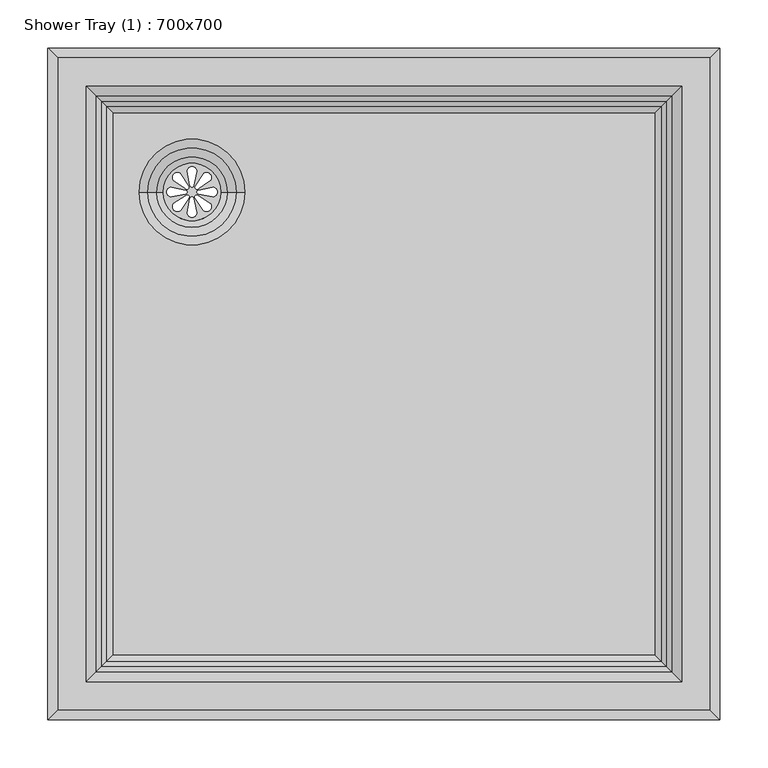
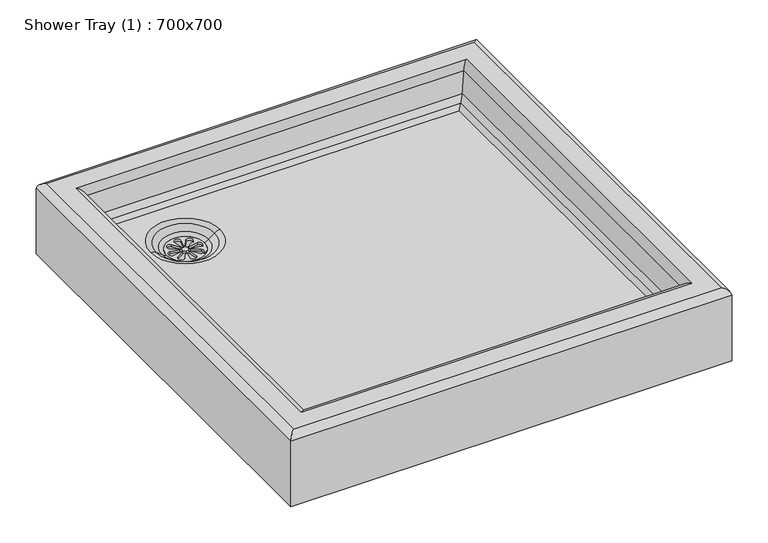
"""IFC4 building model written with IfcOpenShell, lengths in millimetres: flow terminal geometry, Shower Tray (1) : 700x700."""

from ifc_helpers import new_model, si_unit, point, frame, frame_2d, origin, place, context, project, spatial, polyline, circle_curve, ellipse_curve, trimmed, segment, composite_curve, outline, extrude, source, transform, mapped, element, save
from ifc_brep_helpers import plane_surface, cylinder_surface, revolved_surface, advanced_brep


def shower_tray_1_700x700_83cf1ecc(model_context):
    return source(origin(), model_context, "Body", "SolidModel", [
        extrude(outline(composite_curve([segment(trimmed(circle_curve(frame_2d((-200.0, 200.0)), 30.0), [point((-230.0, 200.0))], [point((-170.0, 200.0))], False, "CARTESIAN"), True, "CONTINUOUS"), segment(trimmed(circle_curve(frame_2d((-200.0, 200.0)), 30.0), [point((-170.0, 200.0))], [point((-230.0, 200.0))], False, "CARTESIAN"), True, "CONTINUOUS")], self_intersect=False), holes=[composite_curve([segment(polyline([(-198.0437984, 207.2242832), (-195.0173347, 221.5301417)]), True, "CONTINUOUS"), segment(trimmed(circle_curve(frame_2d((-200.0, 221.5301417)), 4.9826653), [point((-195.0173347, 221.5301417))], [point((-204.9826653, 221.5301417))], True, "CARTESIAN"), True, "CONTINUOUS"), segment(polyline([(-204.9826653, 221.5301417), (-202.1435586, 207.2242832)]), True, "CONTINUOUS"), segment(trimmed(circle_curve(frame_2d((-200.0936785, 207.2242832)), 2.0498801), [point((-202.1435586, 207.2242832))], [point((-198.0437984, 207.2242832))], True, "CARTESIAN"), True, "CONTINUOUS")], self_intersect=False), composite_curve([segment(trimmed(circle_curve(frame_2d((-200.0936785, 192.7757168)), 2.0498801), [point((-198.0437984, 192.7757168))], [point((-202.1435586, 192.7757168))], True, "CARTESIAN"), True, "CONTINUOUS"), segment(polyline([(-202.1435586, 192.7757168), (-204.9826653, 178.4698583)]), True, "CONTINUOUS"), segment(trimmed(circle_curve(frame_2d((-200.0, 178.4698583)), 4.9826653), [point((-204.9826653, 178.4698583))], [point((-195.0173347, 178.4698583))], True, "CARTESIAN"), True, "CONTINUOUS"), segment(polyline([(-195.0173347, 178.4698583), (-198.0437984, 192.7757168)]), True, "CONTINUOUS")], self_intersect=False), composite_curve([segment(polyline([(-207.2242832, 201.9562016), (-221.5301417, 204.9826653)]), True, "CONTINUOUS"), segment(trimmed(circle_curve(frame_2d((-221.5301417, 200.0)), 4.9826653), [point((-221.5301417, 204.9826653))], [point((-221.5301417, 195.0173347))], True, "CARTESIAN"), True, "CONTINUOUS"), segment(polyline([(-221.5301417, 195.0173347), (-207.2242832, 197.8564414)]), True, "CONTINUOUS"), segment(trimmed(circle_curve(frame_2d((-207.2242832, 199.9063215)), 2.0498801), [point((-207.2242832, 197.8564414))], [point((-207.2242832, 201.9562016))], True, "CARTESIAN"), True, "CONTINUOUS")], self_intersect=False), composite_curve([segment(trimmed(circle_curve(frame_2d((-192.7757168, 199.9063215)), 2.0498801), [point((-192.7757168, 201.9562016))], [point((-192.7757168, 197.8564414))], True, "CARTESIAN"), True, "CONTINUOUS"), segment(polyline([(-192.7757168, 197.8564414), (-178.4698583, 195.0173347)]), True, "CONTINUOUS"), segment(trimmed(circle_curve(frame_2d((-178.4698583, 200.0)), 4.9826653), [point((-178.4698583, 195.0173347))], [point((-178.4698583, 204.9826653))], True, "CARTESIAN"), True, "CONTINUOUS"), segment(polyline([(-178.4698583, 204.9826653), (-192.7757168, 201.9562016)]), True, "CONTINUOUS")], self_intersect=False), composite_curve([segment(polyline([(-203.7250963, 206.4915831), (-211.7008327, 218.7473856)]), True, "CONTINUOUS"), segment(trimmed(circle_curve(frame_2d((-215.2241092, 215.2241092)), 4.9826653), [point((-211.7008327, 218.7473856))], [point((-218.7473856, 211.7008327))], True, "CARTESIAN"), True, "CONTINUOUS"), segment(polyline([(-218.7473856, 211.7008327), (-206.6240645, 203.5926149)]), True, "CONTINUOUS"), segment(trimmed(circle_curve(frame_2d((-205.1745804, 205.042099)), 2.0498801), [point((-206.6240645, 203.5926149))], [point((-203.7250963, 206.4915831))], True, "CARTESIAN"), True, "CONTINUOUS")], self_intersect=False), composite_curve([segment(trimmed(circle_curve(frame_2d((-194.957901, 194.8254196)), 2.0498801), [point((-193.5084169, 196.2749037))], [point((-196.4073851, 193.3759355))], True, "CARTESIAN"), True, "CONTINUOUS"), segment(polyline([(-196.4073851, 193.3759355), (-188.2991673, 181.2526144)]), True, "CONTINUOUS"), segment(trimmed(circle_curve(frame_2d((-184.7758908, 184.7758908)), 4.9826653), [point((-188.2991673, 181.2526144))], [point((-181.2526144, 188.2991673))], True, "CARTESIAN"), True, "CONTINUOUS"), segment(polyline([(-181.2526144, 188.2991673), (-193.5084169, 196.2749037)]), True, "CONTINUOUS")], self_intersect=False), composite_curve([segment(polyline([(-206.4915831, 196.2749037), (-218.7473856, 188.2991673)]), True, "CONTINUOUS"), segment(trimmed(circle_curve(frame_2d((-215.2241092, 184.7758908)), 4.9826653), [point((-218.7473856, 188.2991673))], [point((-211.7008327, 181.2526144))], True, "CARTESIAN"), True, "CONTINUOUS"), segment(polyline([(-211.7008327, 181.2526144), (-203.5926149, 193.3759355)]), True, "CONTINUOUS"), segment(trimmed(circle_curve(frame_2d((-205.042099, 194.8254196)), 2.0498801), [point((-203.5926149, 193.3759355))], [point((-206.4915831, 196.2749037))], True, "CARTESIAN"), True, "CONTINUOUS")], self_intersect=False), composite_curve([segment(trimmed(circle_curve(frame_2d((-194.8254196, 205.042099)), 2.0498801), [point((-196.2749037, 206.4915831))], [point((-193.3759355, 203.5926149))], True, "CARTESIAN"), True, "CONTINUOUS"), segment(polyline([(-193.3759355, 203.5926149), (-181.2526144, 211.7008327)]), True, "CONTINUOUS"), segment(trimmed(circle_curve(frame_2d((-184.7758908, 215.2241092)), 4.9826653), [point((-181.2526144, 211.7008327))], [point((-188.2991673, 218.7473856))], True, "CARTESIAN"), True, "CONTINUOUS"), segment(polyline([(-188.2991673, 218.7473856), (-196.2749037, 206.4915831)]), True, "CONTINUOUS")], self_intersect=False)]), frame((0.0, 0.0, 43.429774), z_axis=(0.0, 0.0, 1.0), x_axis=(1.0, 0.0, 0.0)), (0.0, 0.0, 1.0), 3.0),
        advanced_brep(
        [(350.0, 350.0, 0.0), (350.0, 350.0, 110.0), (350.0, -350.0, 110.0), (350.0, -350.0, 0.0), (288.5950747, 288.5950747, 66.1486916), (282.446383, 282.446383, 60.0), (282.446383, -282.446383, 60.0), (288.5950747, -288.5950747, 66.1486916), (294.1490941, -294.1490941, 76.8178637), (294.1490941, 294.1490941, 76.8178637), (300.0, -300.0, 110.0), (300.0, 300.0, 110.0), (310.0, -310.0, 120.0), (310.0, 310.0, 120.0), (340.0, 340.0, 120.0), (340.0, -340.0, 120.0), (-350.0, -350.0, 110.0), (-350.0, -350.0, 0.0), (-282.446383, -282.446383, 60.0), (-288.5950747, -288.5950747, 66.1486916), (-294.1490941, -294.1490941, 76.8178637), (-300.0, -300.0, 110.0), (-310.0, -310.0, 120.0), (-340.0, -340.0, 120.0), (-350.0, 350.0, 110.0), (-350.0, 350.0, 0.0), (-282.446383, 282.446383, 60.0), (-288.5950747, 288.5950747, 66.1486916), (-294.1490941, 294.1490941, 76.8178637), (-300.0, 300.0, 110.0), (-310.0, 310.0, 120.0), (-340.0, 340.0, 120.0), (-230.0, 200.0, 0.0), (-170.0, 200.0, 0.0), (-255.0, 200.0, 60.0), (-145.0, 200.0, 60.0), (-170.0, 200.0, 46.429774), (-230.0, 200.0, 46.429774), (-163.3333333, 200.0, 50.0), (-236.6666667, 200.0, 50.0), (-154.0, 200.0, 57.0), (-246.0, 200.0, 57.0)],
        [
            (0, 1),
            (1, 2),
            (2, 3),
            (3, 0),
            (4, 5),
            (5, 6),
            (6, 7),
            (7, 4),
            (7, 8, ellipse_curve(frame((274.452939, -274.452939, 80.2908273), z_axis=(-0.7071067811865475, -0.7071067811865475, 0.0), x_axis=(0.7071067811865474, -0.7071067811865476, 0.0)), 28.2842712, 20.0)),
            (8, 9),
            (9, 4, ellipse_curve(frame((274.452939, 274.452939, 80.2908273), z_axis=(-0.7071067811865475, 0.7071067811865475, 0.0), x_axis=(-0.7071067811865474, -0.7071067811865476, 0.0)), 28.2842712, 20.0)),
            (8, 10),
            (10, 11),
            (11, 9),
            (10, 12, ellipse_curve(frame((310.0, -310.0, 110.0), z_axis=(0.7071067811865475, 0.7071067811865475, 0.0), x_axis=(-0.7071067811865474, 0.7071067811865476, 0.0)), 14.1421356, 10.0)),
            (12, 13),
            (13, 11, ellipse_curve(frame((310.0, 310.0, 110.0), z_axis=(0.7071067811865475, -0.7071067811865475, 0.0), x_axis=(0.7071067811865474, 0.7071067811865476, 0.0)), 14.1421356, 10.0)),
            (1, 14, ellipse_curve(frame((340.0, 340.0, 110.0), z_axis=(0.7071067811865475, -0.7071067811865475, 0.0), x_axis=(0.7071067811865474, 0.7071067811865476, 0.0)), 14.1421356, 10.0)),
            (14, 15),
            (15, 2, ellipse_curve(frame((340.0, -340.0, 110.0), z_axis=(0.7071067811865475, 0.7071067811865475, 0.0), x_axis=(-0.7071067811865474, 0.7071067811865476, 0.0)), 14.1421356, 10.0)),
            (2, 16),
            (16, 17),
            (17, 3),
            (6, 18),
            (18, 19),
            (19, 7),
            (19, 20, ellipse_curve(frame((-274.452939, -274.452939, 80.2908273), z_axis=(-0.7071067811865475, 0.7071067811865475, 0.0), x_axis=(-0.7071067811865476, -0.7071067811865474, 0.0)), 28.2842712, 20.0)),
            (20, 8),
            (20, 21),
            (21, 10),
            (21, 22, ellipse_curve(frame((-310.0, -310.0, 110.0), z_axis=(0.7071067811865475, -0.7071067811865475, 0.0), x_axis=(0.7071067811865476, 0.7071067811865474, 0.0)), 14.1421356, 10.0)),
            (22, 12),
            (15, 23),
            (23, 16, ellipse_curve(frame((-340.0, -340.0, 110.0), z_axis=(0.7071067811865475, -0.7071067811865475, 0.0), x_axis=(0.7071067811865476, 0.7071067811865474, 0.0)), 14.1421356, 10.0)),
            (16, 24),
            (24, 25),
            (25, 17),
            (18, 26),
            (26, 27),
            (27, 19),
            (27, 28, ellipse_curve(frame((-274.452939, 274.452939, 80.2908273), z_axis=(0.7071067811865475, 0.7071067811865475, 0.0), x_axis=(-0.7071067811865474, 0.7071067811865476, 0.0)), 28.2842712, 20.0)),
            (28, 20),
            (28, 29),
            (29, 21),
            (29, 30, ellipse_curve(frame((-310.0, 310.0, 110.0), z_axis=(-0.7071067811865475, -0.7071067811865475, 0.0), x_axis=(0.7071067811865474, -0.7071067811865476, 0.0)), 14.1421356, 10.0)),
            (30, 22),
            (23, 31),
            (31, 24, ellipse_curve(frame((-340.0, 340.0, 110.0), z_axis=(-0.7071067811865475, -0.7071067811865475, 0.0), x_axis=(0.7071067811865474, -0.7071067811865476, 0.0)), 14.1421356, 10.0)),
            (0, 25),
            (24, 1),
            (32, 33, circle_curve(frame((-200.0, 200.0, 0.0), z_axis=(0.0, 0.0, 1.0), x_axis=(1.0, 0.0, 0.0)), 30.0)),
            (33, 32, circle_curve(frame((-200.0, 200.0, 0.0), z_axis=(0.0, 0.0, 1.0), x_axis=(1.0, 0.0, 0.0)), 30.0)),
            (4, 27),
            (26, 5),
            (9, 28),
            (11, 29),
            (13, 30),
            (14, 31),
            (34, 35, circle_curve(frame((-200.0, 200.0, 60.0), z_axis=(0.0, 0.0, -1.0), x_axis=(1.0, 0.0, 0.0)), 55.0)),
            (35, 34, circle_curve(frame((-200.0, 200.0, 60.0), z_axis=(0.0, 0.0, -1.0), x_axis=(1.0, 0.0, 0.0)), 55.0)),
            (33, 36),
            (36, 37, circle_curve(frame((-200.0, 200.0, 46.429774), z_axis=(0.0, 0.0, 1.0), x_axis=(1.0, 0.0, 0.0)), 30.0)),
            (37, 32),
            (37, 36, circle_curve(frame((-200.0, 200.0, 46.429774), z_axis=(0.0, 0.0, 1.0), x_axis=(1.0, 0.0, 0.0)), 30.0)),
            (38, 39, circle_curve(frame((-200.0, 200.0, 50.0), z_axis=(0.0, 0.0, 1.0), x_axis=(1.0, 0.0, 0.0)), 36.6666667)),
            (39, 37, circle_curve(frame((-221.6666667, 200.0, 70.0), z_axis=(0.0, -1.0, 0.0), x_axis=(-1.0, 0.0, 0.0)), 25.0)),
            (36, 38, circle_curve(frame((-178.3333333, 200.0, 70.0), z_axis=(0.0, -1.0, 0.0), x_axis=(1.0, 0.0, 0.0)), 25.0)),
            (39, 38, circle_curve(frame((-200.0, 200.0, 50.0), z_axis=(0.0, 0.0, 1.0), x_axis=(1.0, 0.0, 0.0)), 36.6666667)),
            (38, 40),
            (40, 41, circle_curve(frame((-200.0, 200.0, 57.0), z_axis=(0.0, 0.0, 1.0), x_axis=(1.0, 0.0, 0.0)), 46.0)),
            (41, 39),
            (41, 40, circle_curve(frame((-200.0, 200.0, 57.0), z_axis=(0.0, 0.0, 1.0), x_axis=(1.0, 0.0, 0.0)), 46.0)),
            (40, 35, circle_curve(frame((-145.0, 200.0, 45.0), z_axis=(0.0, 1.0, 0.0), x_axis=(1.0, 0.0, 0.0)), 15.0)),
            (34, 41, circle_curve(frame((-255.0, 200.0, 45.0), z_axis=(0.0, 1.0, 0.0), x_axis=(-1.0, 0.0, 0.0)), 15.0)),
        ],
        [
            plane_surface(frame((350.0, 350.0, 110.0), z_axis=(1.0, 0.0, 0.0), x_axis=(0.0, -1.0, 0.0))),
            plane_surface(frame((282.446383, 282.446383, 60.0), z_axis=(-0.7071067811865533, 0.0, 0.7071067811865417), x_axis=(0.0, -1.0, 0.0))),
            revolved_surface(polyline([(294.452939, -294.45293896643943, 80.2908273), (294.452939, 294.4529389664394, 80.2908273)]), (274.452939, 350.0, 80.2908273), (0.0, -1.0, 0.0)),
            plane_surface(frame((294.1490941, 294.1490941, 76.8178637), z_axis=(-0.9848077530122086, 0.0, 0.17364817766692786), x_axis=(0.0, -1.0, 0.0))),
            cylinder_surface(frame((310.0, 350.0, 110.0), z_axis=(0.0, 1.0, 0.0), x_axis=(1.0, 0.0, 0.0)), 10.0),
            cylinder_surface(frame((340.0, 350.0, 110.0), z_axis=(0.0, 1.0, 0.0), x_axis=(1.0, 0.0, 0.0)), 10.0),
            plane_surface(frame((350.0, -350.0, 110.0), z_axis=(0.0, -1.0, 0.0), x_axis=(-1.0, 0.0, 0.0))),
            plane_surface(frame((282.446383, -282.446383, 60.0), z_axis=(0.0, 0.7071067811865533, 0.7071067811865417), x_axis=(-1.0, 0.0, 0.0))),
            revolved_surface(polyline([(-294.45293896643943, -294.452939, 80.2908273), (294.4529389664394, -294.452939, 80.2908273)]), (350.0, -274.452939, 80.2908273), (-1.0, 0.0, 0.0)),
            plane_surface(frame((294.1490941, -294.1490941, 76.8178637), z_axis=(0.0, 0.9848077530122086, 0.17364817766692786), x_axis=(-1.0, 0.0, 0.0))),
            cylinder_surface(frame((350.0, -310.0, 110.0), z_axis=(1.0, 0.0, 0.0), x_axis=(0.0, -1.0, 0.0)), 10.0),
            cylinder_surface(frame((350.0, -340.0, 110.0), z_axis=(1.0, 0.0, 0.0), x_axis=(0.0, -1.0, 0.0)), 10.0),
            plane_surface(frame((-350.0, -350.0, 110.0), z_axis=(-1.0, 0.0, 0.0), x_axis=(0.0, 1.0, 0.0))),
            plane_surface(frame((-282.446383, -282.446383, 60.0), z_axis=(0.7071067811865533, 0.0, 0.7071067811865417), x_axis=(0.0, 1.0, 0.0))),
            revolved_surface(polyline([(-294.452939, 294.45293896643943, 80.2908273), (-294.452939, -294.4529389664394, 80.2908273)]), (-274.452939, -350.0, 80.2908273), (0.0, 1.0, 0.0)),
            plane_surface(frame((-294.1490941, -294.1490941, 76.8178637), z_axis=(0.9848077530122086, 0.0, 0.17364817766692786), x_axis=(0.0, 1.0, 0.0))),
            cylinder_surface(frame((-310.0, -350.0, 110.0), z_axis=(0.0, -1.0, 0.0), x_axis=(-1.0, 0.0, 0.0)), 10.0),
            cylinder_surface(frame((-340.0, -350.0, 110.0), z_axis=(0.0, -1.0, 0.0), x_axis=(-1.0, 0.0, 0.0)), 10.0),
            plane_surface(frame((-350.0, 350.0, 110.0), z_axis=(0.0, 1.0, 0.0), x_axis=(1.0, 0.0, 0.0))),
            plane_surface(frame((-350.0, 350.0, 0.0), z_axis=(0.0, 0.0, -1.0), x_axis=(1.0, 0.0, 0.0))),
            plane_surface(frame((-282.446383, 282.446383, 60.0), z_axis=(0.0, -0.7071067811865533, 0.7071067811865417), x_axis=(1.0, 0.0, 0.0))),
            revolved_surface(polyline([(294.45293896643943, 294.452939, 80.2908273), (-294.4529389664394, 294.452939, 80.2908273)]), (-350.0, 274.452939, 80.2908273), (1.0, 0.0, 0.0)),
            plane_surface(frame((-294.1490941, 294.1490941, 76.8178637), z_axis=(0.0, -0.9848077530122086, 0.17364817766692786), x_axis=(1.0, 0.0, 0.0))),
            cylinder_surface(frame((-350.0, 310.0, 110.0), z_axis=(-1.0, 0.0, 0.0), x_axis=(0.0, 1.0, 0.0)), 10.0),
            plane_surface(frame((-310.0, 310.0, 120.0), z_axis=(0.0, 0.0, 1.0), x_axis=(1.0, 0.0, 0.0))),
            cylinder_surface(frame((-350.0, 340.0, 110.0), z_axis=(-1.0, 0.0, 0.0), x_axis=(0.0, 1.0, 0.0)), 10.0),
            plane_surface(frame((-170.0, 200.0, 60.0), z_axis=(0.0, 0.0, 1.0), x_axis=(0.0, -1.0, 0.0))),
            revolved_surface(polyline([(-170.0, 200.0, 0.0), (-170.0, 200.0, 46.429774)]), (-200.0, 200.0, 0.0), (0.0, 0.0, -1.0)),
            revolved_surface(trimmed(ellipse_curve(frame((-178.3333333, 200.0, 70.0), z_axis=(0.0, 1.0, 0.0), x_axis=(1.0, 0.0, 0.0)), 25.0, 25.0), [point((-163.3333333, 200.0, 50.0))], [point((-178.3333333, 200.0, 45.0))], True, "CARTESIAN"), (-200.0, 200.0, -508.0), (0.0, 0.0, 1.0)),
            revolved_surface(polyline([(-154.0, 200.0, 57.0), (-163.3333333, 200.0, 50.0)]), (-200.0, 200.0, -508.0), (0.0, 0.0, 1.0)),
            revolved_surface(trimmed(ellipse_curve(frame((-145.0, 200.0, 45.0), z_axis=(0.0, -1.0, 0.0), x_axis=(1.0, 0.0, 0.0)), 15.0, 15.0), [point((-145.0, 200.0, 60.0))], [point((-154.0, 200.0, 57.0))], True, "CARTESIAN"), (-200.0, 200.0, -508.0), (0.0, 0.0, 1.0)),
        ],
        [
            (0, [[1, 2, 3, 4]]),
            (1, [[5, 6, 7, 8]]),
            (2, [[-8, 9, 10, 11]]),
            (3, [[-10, 12, 13, 14]]),
            (4, [[-13, 15, 16, 17]]),
            (5, [[-2, 18, 19, 20]]),
            (6, [[-3, 21, 22, 23]]),
            (7, [[-7, 24, 25, 26]]),
            (8, [[-9, -26, 27, 28]]),
            (9, [[-12, -28, 29, 30]]),
            (10, [[-15, -30, 31, 32]]),
            (11, [[-20, 33, 34, -21]]),
            (12, [[-22, 35, 36, 37]]),
            (13, [[-25, 38, 39, 40]]),
            (14, [[-27, -40, 41, 42]]),
            (15, [[-29, -42, 43, 44]]),
            (16, [[-31, -44, 45, 46]]),
            (17, [[-34, 47, 48, -35]]),
            (18, [[-1, 49, -36, 50]]),
            (19, [[-4, -23, -37, -49], [51, 52]]),
            (20, [[-5, 53, -39, 54]]),
            (21, [[-11, 55, -41, -53]]),
            (22, [[-14, 56, -43, -55]]),
            (23, [[-17, 57, -45, -56]]),
            (24, [[-19, 58, -47, -33], [-16, -32, -46, -57]]),
            (25, [[-18, -50, -48, -58]]),
            (26, [[-6, -54, -38, -24], [59, 60]]),
            (27, [[-52, 61, 62, 63]]),
            (27, [[-51, -63, 64, -61]]),
            (28, [[65, 66, -62, 67]]),
            (28, [[68, -67, -64, -66]]),
            (29, [[-65, 69, 70, 71]]),
            (29, [[-68, -71, 72, -69]]),
            (30, [[-70, 73, -59, 74]]),
            (30, [[-72, -74, -60, -73]]),
        ],
    ),
    ])


if __name__ == "__main__":
    model = new_model("IFC4")
    model_context = context("Model", 3, world=origin())
    ifc_project = project(units=[si_unit("LENGTHUNIT", "METRE", prefix="MILLI")], contexts=[model_context])
    site = spatial("IfcSite", under=ifc_project)
    building = spatial("IfcBuilding", under=site)
    placement = place(None, origin())
    shower_tray_1_700x700_shape = shower_tray_1_700x700_83cf1ecc(model_context)
    element("IfcFlowTerminal", 1, ObjectType="Shower Tray (1) : 700x700", at=placement, inside=building, context=model_context, shape_type="MappedRepresentation", body=[
        mapped(shower_tray_1_700x700_shape, transform((0.0, 0.0, 0.0), x_axis=(1.0, 0.0, 0.0), y_axis=(0.0, 1.0, 0.0), z_axis=(0.0, 0.0, 1.0))),
    ])
    save(model, "model.ifc")
